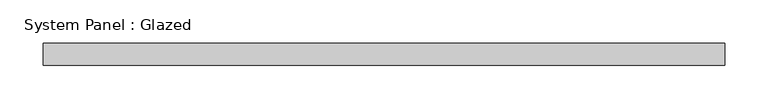
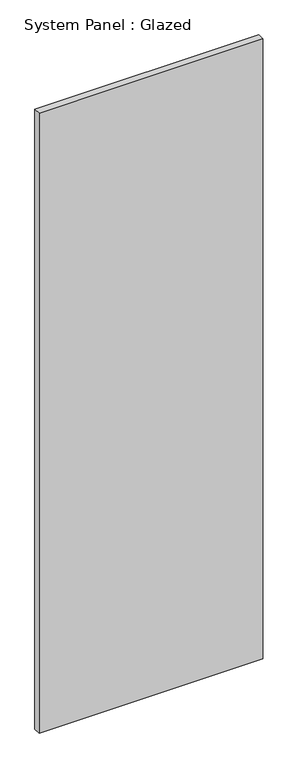
"""IFC4 building model written with IfcOpenShell, lengths in millimetres: plate geometry, System Panel : Glazed."""

from ifc_helpers import new_model, si_unit, origin, origin_with_axes, place, context, project, spatial, polyline, outline, extrude, source, transform, mapped, element, save


def system_panel_glazed_4fa27392(model_context):
    return source(origin(), model_context, "Body", "SweptSolid", [
        extrude(outline(polyline([(393.0, 24.5), (-393.0, 24.5), (-393.0, 49.5), (393.0, 49.5), (393.0, 24.5)])), origin_with_axes(), (0.0, 0.0, 1.0), 2300.0),
    ])


if __name__ == "__main__":
    model = new_model("IFC4")
    model_context = context("Model", 3, world=origin())
    ifc_project = project(units=[si_unit("LENGTHUNIT", "METRE", prefix="MILLI")], contexts=[model_context])
    site = spatial("IfcSite", under=ifc_project)
    building = spatial("IfcBuilding", under=site)
    placement = place(None, origin())
    system_panel_glazed_shape = system_panel_glazed_4fa27392(model_context)
    element("IfcPlate", 1, ObjectType="System Panel : Glazed", at=placement, inside=building, context=model_context, shape_type="MappedRepresentation", body=[
        mapped(system_panel_glazed_shape, transform((0.0, 0.0, 0.0), x_axis=(1.0, 0.0, 0.0), y_axis=(0.0, 1.0, 0.0), z_axis=(0.0, 0.0, 1.0))),
    ])
    save(model, "model.ifc")
